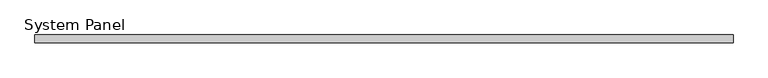
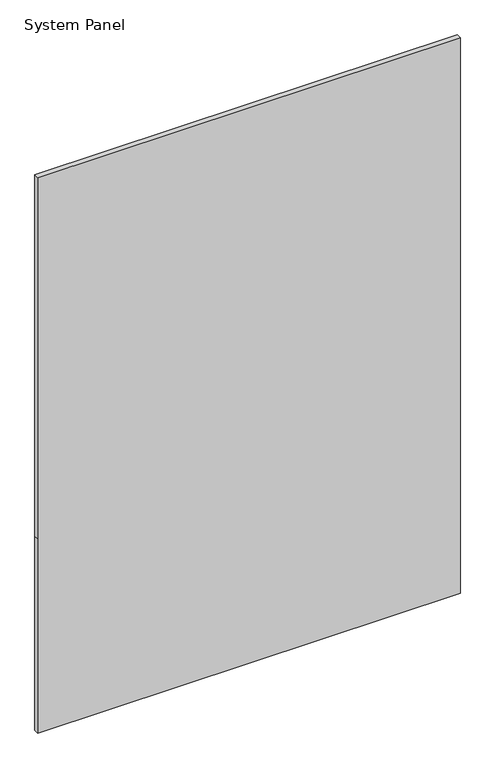
"""IFC4 building model written with IfcOpenShell, lengths in millimetres: plate geometry, System Panel."""

from ifc_helpers import new_model, si_unit, frame, origin, place, context, project, spatial, polyline, outline, extrude, source, transform, mapped, element, save


def system_panel_f6974ff7(model_context):
    return source(origin(), model_context, "Body", "SweptSolid", [
        extrude(outline(polyline([(0.0, -548.249375), (0.0, 548.249375), (532.559375, 548.249375), (1522.31875, 548.249375), (1522.31875, -548.249375), (532.559375, -548.249375), (0.0, -548.249375)])), frame((0.0, -6.0, 0.0), z_axis=(0.0, 1.0, 0.0), x_axis=(0.0, 0.0, 1.0)), (0.0, 0.0, 1.0), 12.0),
    ])


if __name__ == "__main__":
    model = new_model("IFC4")
    model_context = context("Model", 3, world=origin())
    ifc_project = project(units=[si_unit("LENGTHUNIT", "METRE", prefix="MILLI")], contexts=[model_context])
    site = spatial("IfcSite", under=ifc_project)
    building = spatial("IfcBuilding", under=site)
    placement = place(None, origin())
    system_panel_shape = system_panel_f6974ff7(model_context)
    element("IfcPlate", 1, ObjectType="System Panel", at=placement, inside=building, context=model_context, shape_type="MappedRepresentation", body=[
        mapped(system_panel_shape, transform((0.0, 0.0, 0.0), x_axis=(1.0, 0.0, 0.0), y_axis=(0.0, 1.0, 0.0), z_axis=(0.0, 0.0, 1.0))),
    ])
    save(model, "model.ifc")
